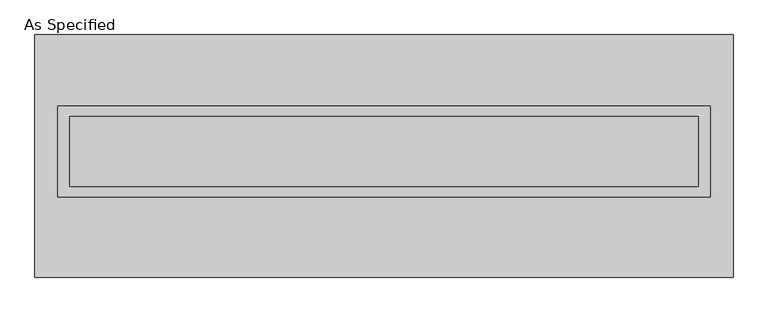
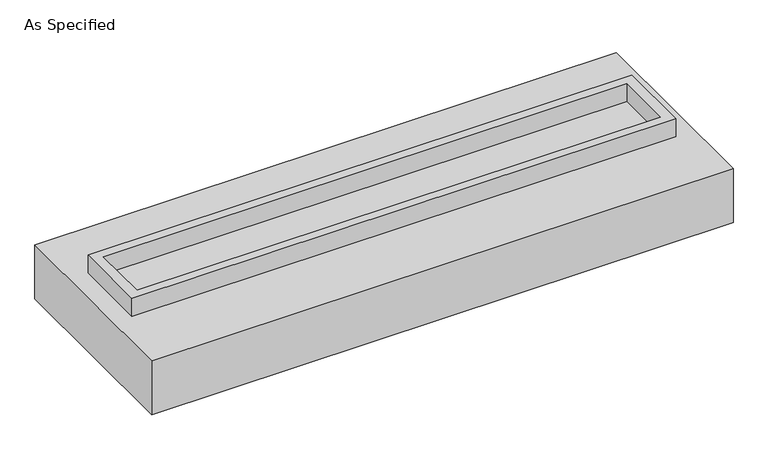
"""IFC4 building model written with IfcOpenShell, lengths in millimetres: proxy geometry, As Specified."""

from ifc_helpers import new_model, si_unit, frame, origin, place, context, project, spatial, polyline, outline, extrude, faceted_brep, source, transform, mapped, element, save


def as_specified_247bd83f(model_context):
    return source(origin(), model_context, "Body", "SolidModel", [
        extrude(outline(polyline([(2374.9, 361.95), (2374.9, -298.45), (-2374.9, -298.45), (-2374.9, 361.95), (2374.9, 361.95)]), holes=[polyline([(2286.0, 285.75), (-2286.0, 285.75), (-2286.0, -222.25), (2286.0, -222.25), (2286.0, 285.75)])]), frame((0.0, 0.0, -25.4), z_axis=(0.0, 0.0, 1.0), x_axis=(1.0, 0.0, 0.0)), (0.0, 0.0, 1.0), 165.1),
        extrude(outline(polyline([(2286.0, 285.75), (2286.0, -222.25), (-2286.0, -222.25), (-2286.0, 285.75), (2286.0, 285.75)])), frame((0.0, 0.0, -30.3609375), z_axis=(0.0, 0.0, 1.0), x_axis=(1.0, 0.0, 0.0)), (0.0, 0.0, 1.0), 4.9609375),
        faceted_brep([(2540.0, -882.65, -523.875), (-2540.0, -882.65, -523.875), (-2540.0, 882.65, -523.875), (2540.0, 882.65, -523.875), (2540.0, 882.65, -25.4), (-2540.0, 882.65, -25.4), (-2540.0, -882.65, -25.4), (2540.0, -882.65, -25.4), (2374.9, 361.95, -25.4), (2374.9, -298.45, -25.4), (-2374.9, -298.45, -25.4), (-2374.9, 361.95, -25.4), (2374.9, 361.95, -498.475), (-2374.9, 361.95, -498.475), (-2374.9, -298.45, -498.475), (2374.9, -298.45, -498.475)], [[[0, 1, 2, 3]], [[4, 5, 6, 7], [8, 9, 10, 11]], [[3, 2, 5, 4]], [[2, 1, 6, 5]], [[0, 3, 4, 7]], [[12, 13, 14, 15]], [[14, 13, 11, 10]], [[13, 12, 8, 11]], [[12, 15, 9, 8]], [[10, 9, 15, 14]], [[1, 0, 7, 6]]]),
    ])


if __name__ == "__main__":
    model = new_model("IFC4")
    model_context = context("Model", 3, world=origin())
    ifc_project = project(units=[si_unit("LENGTHUNIT", "METRE", prefix="MILLI")], contexts=[model_context])
    site = spatial("IfcSite", under=ifc_project)
    building = spatial("IfcBuilding", under=site)
    placement = place(None, origin())
    as_specified_shape = as_specified_247bd83f(model_context)
    element("IfcBuildingElementProxy", 1, Name="As Specified", ObjectType="As Specified", at=placement, inside=building, context=model_context, shape_type="MappedRepresentation", body=[
        mapped(as_specified_shape, transform((0.0, 0.0, 0.0), x_axis=(1.0, 0.0, 0.0), y_axis=(0.0, 1.0, 0.0), z_axis=(0.0, 0.0, 1.0))),
    ])
    save(model, "model.ifc")
